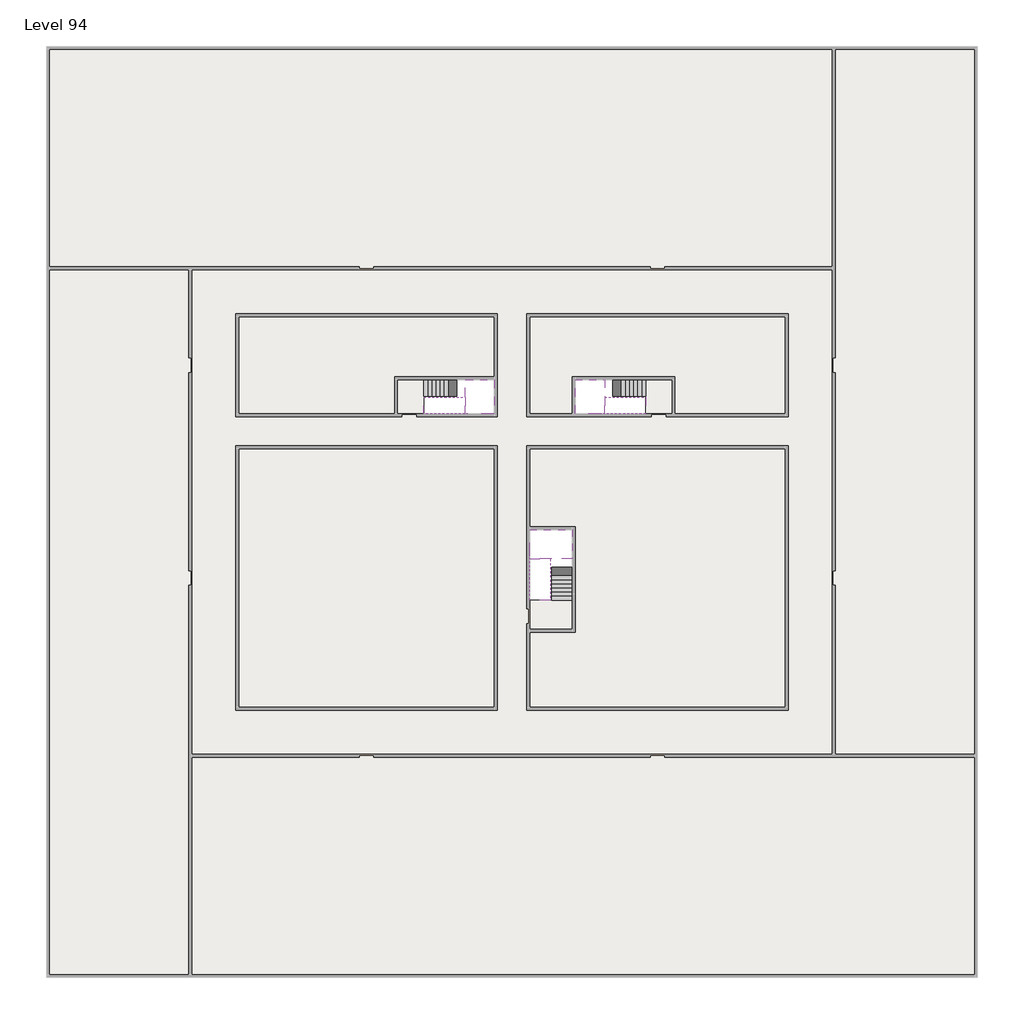
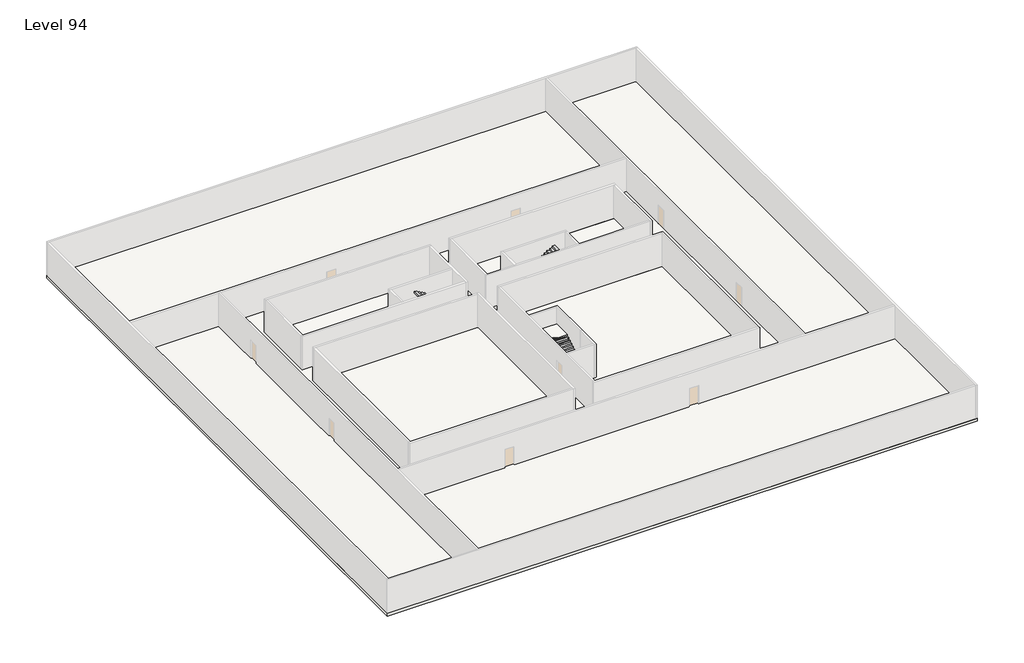
# One storey, part 2 of 2: 6 slabs, 6 stair flights.
"""IFC4 building model written with IfcOpenShell, lengths in millimetres."""

import ifcopenshell
import ifcopenshell.guid

model = None  # the IFC model being written
_history = None  # IfcOwnerHistory: only IFC2X3 demands one
_inside = {}  # id of a spatial element -> (the spatial element, [elements in it])
_under = {}  # id of a project, library or spatial element -> (it, [spatial elements below it])
_declared = {}  # id of a project -> (the project, [libraries it declares])
_typed = {}  # id of a type object -> (the type object, [elements of that type])
_made_of = {}  # id of a material, layer set ... -> (it, [elements and type objects made of it])


def new_model(schema):
    """Start an empty IFC model of exactly this schema.

    Asked for "IFC4X3", IfcOpenShell would pick the latest addendum, in which some entities
    have other attributes; the version numbers below select the first issue.
    IFC2X3 requires an IfcOwnerHistory on every rooted entity: one is made here for all.
    """
    global model, _history
    if schema == "IFC4X3":
        model = ifcopenshell.file(schema_version=(4, 3, 0, 0))
    else:
        model = ifcopenshell.file(schema=schema)
    _inside.clear()
    _under.clear()
    _declared.clear()
    _typed.clear()
    _made_of.clear()
    _history = None
    if model.schema == "IFC2X3":
        org = make("IfcOrganization", Name="unknown")
        user = make(
            "IfcPersonAndOrganization",
            ThePerson=make("IfcPerson", FamilyName="unknown"),
            TheOrganization=org,
        )
        app = make(
            "IfcApplication",
            ApplicationDeveloper=org,
            Version="unknown",
            ApplicationFullName="unknown",
            ApplicationIdentifier="unknown",
        )
        _history = make(
            "IfcOwnerHistory",
            OwningUser=user,
            OwningApplication=app,
            ChangeAction="ADDED",
            CreationDate=0,
        )
    return model


def make(cls, **values):
    """One entity of the class cls with the attributes given. An attribute that is None is left unset."""
    return model.create_entity(
        cls, **{name: value for name, value in values.items() if value is not None}
    )


def rooted(cls, **values):
    """An entity with a GlobalId (a new one), such as an element, a storey or a relation."""
    return make(cls, GlobalId=ifcopenshell.guid.new(), OwnerHistory=_history, **values)


def si_unit(unit_type, name, prefix=None):
    """IfcSIUnit, for example si_unit("LENGTHUNIT", "METRE", prefix="MILLI")."""
    return make("IfcSIUnit", UnitType=unit_type, Prefix=prefix, Name=name)


def assignment(units):
    """IfcUnitAssignment: the units of a project."""
    return None if units is None else make("IfcUnitAssignment", Units=units)


def point(xyz):
    """IfcCartesianPoint."""
    return None if xyz is None else make("IfcCartesianPoint", Coordinates=xyz)


def direction(xyz):
    """IfcDirection."""
    return None if xyz is None else make("IfcDirection", DirectionRatios=xyz)


def frame(location, z_axis=None, x_axis=None):
    """IfcAxis2Placement3D, a coordinate frame: its origin and axes. An axis left out is left unset."""
    return make(
        "IfcAxis2Placement3D",
        Location=point(location),
        Axis=direction(z_axis),
        RefDirection=direction(x_axis),
    )


def origin():
    """The frame at (0, 0, 0) with its axes left unset."""
    return frame((0.0, 0.0, 0.0))


def place(relative_to, where):
    """IfcLocalPlacement: puts the frame where relative to a parent placement (None: the world)."""
    return make(
        "IfcLocalPlacement", PlacementRelTo=relative_to, RelativePlacement=where
    )


def context(
    kind, dimensions, precision=None, world=None, true_north=None, identifier=None
):
    """IfcGeometricRepresentationContext, for example the 3D "Model" context."""
    return make(
        "IfcGeometricRepresentationContext",
        ContextIdentifier=identifier,
        ContextType=kind,
        CoordinateSpaceDimension=dimensions,
        Precision=precision,
        WorldCoordinateSystem=world,
        TrueNorth=true_north,
    )


def project(units=None, contexts=None):
    """IfcProject with its units and contexts."""
    return rooted(
        "IfcProject",
        Name="project",
        RepresentationContexts=contexts,
        UnitsInContext=assignment(units),
    )


def spatial(cls, under=None, at=None, **own):
    """A site, building, storey or space (cls), placed at a placement, below another one or the project."""
    s = rooted(cls, ObjectPlacement=at, **own)
    if under is not None:
        _under.setdefault(under.id(), (under, []))[1].append(s)
    return s


def polyline(points):
    """IfcPolyline through the points."""
    return make("IfcPolyline", Points=[point(p) for p in points])


def outline(outer, holes=None, kind="AREA"):
    """IfcArbitraryClosedProfileDef: a profile drawn as a closed curve; with holes, ...WithVoids."""
    if holes is None:
        return make("IfcArbitraryClosedProfileDef", ProfileType=kind, OuterCurve=outer)
    return make(
        "IfcArbitraryProfileDefWithVoids",
        ProfileType=kind,
        OuterCurve=outer,
        InnerCurves=holes,
    )


def extrude(swept, where, along, depth):
    """IfcExtrudedAreaSolid: the profile swept, set in the frame where, extruded along a direction by depth."""
    return make(
        "IfcExtrudedAreaSolid",
        SweptArea=swept,
        Position=where,
        ExtrudedDirection=direction(along),
        Depth=depth,
    )


def faces_of(points, faces, orient=None, outer=None):
    """IfcFace entities. A face is a list of loops; a loop is a list of indices into points, from 0.

    orient and outer hold one flag for each loop. By default every Orientation is true, the
    first loop of a face is its IfcFaceOuterBound and the others are IfcFaceBound.
    """
    made = []
    for i, loops in enumerate(faces):
        bounds = []
        for j, loop in enumerate(loops):
            is_outer = j == 0 if outer is None else outer[i][j]
            bounds.append(
                make(
                    "IfcFaceOuterBound" if is_outer else "IfcFaceBound",
                    Bound=make("IfcPolyLoop", Polygon=[points[k] for k in loop]),
                    Orientation=True if orient is None else orient[i][j],
                )
            )
        made.append(make("IfcFace", Bounds=bounds))
    return made


def faceted_brep(points, faces, orient=None, outer=None, voids=None):
    """IfcFacetedBrep: a solid bounded by flat faces; with voids (closed shells), ...WithVoids."""
    shared = [point(p) for p in points]
    hull = make("IfcClosedShell", CfsFaces=faces_of(shared, faces, orient, outer))
    if voids is None:
        return make("IfcFacetedBrep", Outer=hull)
    return make(
        "IfcFacetedBrepWithVoids",
        Outer=hull,
        Voids=[
            make(cls, CfsFaces=faces_of(shared, fs, o, b)) for cls, fs, o, b in voids
        ],
    )


def shape(context_of_items, identifier, shape_type, items):
    """IfcShapeRepresentation: the items that make up one representation, for example the "Body"."""
    return make(
        "IfcShapeRepresentation",
        ContextOfItems=context_of_items,
        RepresentationIdentifier=identifier,
        RepresentationType=shape_type,
        Items=items,
    )


def made_of(thing, what):
    """Note that an element or type object is made of a material, layer set ...; save() writes the relation."""
    if what is not None:
        _made_of.setdefault(what.id(), (what, []))[1].append(thing)
    return thing


def element(
    cls,
    number,
    at=None,
    inside=None,
    cuts=None,
    type_object=None,
    material=None,
    context=None,
    identifier="Body",
    shape_type=None,
    held_by="IfcProductDefinitionShape",
    body=None,
    shapes=None,
    **own,
):
    """One element of the class cls, such as IfcWall. Its Tag is "e" and its number.

    at: its placement. inside: the storey or other place that contains it. cuts: it is an
    opening in that element (IfcRelVoidsElement). A single representation is given by context,
    identifier, shape_type and body (its items); several are given by shapes. held_by: the class
    of the entity that holds the representations. save() writes the other relations.
    """
    e = rooted(cls, Tag="e%d" % number, ObjectPlacement=at, **own)
    if body is not None:
        shapes = [shape(context, identifier, shape_type, body)]
    if shapes is not None:
        e.Representation = make(held_by, Representations=shapes)
    if inside is not None:
        _inside.setdefault(inside.id(), (inside, []))[1].append(e)
    if cuts is not None:
        rooted(
            "IfcRelVoidsElement", RelatingBuildingElement=cuts, RelatedOpeningElement=e
        )
    if type_object is not None:
        _typed.setdefault(type_object.id(), (type_object, []))[1].append(e)
    return made_of(e, material)


def aggregate(whole, parts):
    """IfcRelAggregates: a whole, such as a stair, and the parts it consists of."""
    return rooted("IfcRelAggregates", RelatingObject=whole, RelatedObjects=parts)


def save(model, path):
    """Write the relations noted so far, then the file.

    IfcRelAggregates (storeys below a building ...), IfcRelContainedInSpatialStructure (elements
    in a storey), IfcRelDefinesByType, IfcRelAssociatesMaterial and IfcRelDeclares: one each for
    every whole, place, type object, material and project.
    """
    for whole, parts in _under.values():
        aggregate(whole, parts)
    for where, things in _inside.values():
        rooted(
            "IfcRelContainedInSpatialStructure",
            RelatedElements=things,
            RelatingStructure=where,
        )
    for kind, things in _typed.values():
        rooted("IfcRelDefinesByType", RelatedObjects=things, RelatingType=kind)
    for what, things in _made_of.values():
        rooted("IfcRelAssociatesMaterial", RelatedObjects=things, RelatingMaterial=what)
    for by, libraries in _declared.values():
        rooted("IfcRelDeclares", RelatingContext=by, RelatedDefinitions=libraries)
    model.write(path)


model = new_model("IFC4")

# Units and contexts
model_context = context("Model", 3, world=origin())
ifc_project = project(units=[si_unit("LENGTHUNIT", "METRE", prefix="MILLI")], contexts=[model_context])

# Site, building, storey
site = spatial("IfcSite", under=ifc_project)
building = spatial("IfcBuilding", under=site)
storey = spatial("IfcBuildingStorey", under=building, Name="Level 94", Elevation=353400.0)

# Slabs
placement = place(None, origin())
element("IfcSlab", 1, at=placement, inside=storey, context=model_context, shape_type="SweptSolid", body=[
    extrude(outline(polyline([(55890.1058784, -5518.09644), (55890.1058784, -68918.09644), (-7509.8941216, -68918.09644), (-7509.8941216, -5518.09644), (55890.1058784, -5518.09644)]), holes=[polyline([(22990.1058784, -23918.09644), (5590.1058784, -23918.09644), (5590.1058784, -30518.09644), (22990.1058784, -30518.09644), (22990.1058784, -23918.09644)]), polyline([(42990.1058784, -23918.09644), (25390.1058784, -23918.09644), (25390.1058784, -30518.09644), (42990.1058784, -30518.09644), (42990.1058784, -23918.09644)]), polyline([(25390.1058784, -50518.09644), (42790.1058784, -50518.09644), (42790.1058784, -32918.09644), (25390.1058784, -32918.09644), (25390.1058784, -50518.09644)]), polyline([(22990.1058784, -32918.09644), (5590.1058784, -32918.09644), (5590.1058784, -50518.09644), (22990.1058784, -50518.09644), (22990.1058784, -32918.09644)])]), frame((0.0, 0.0, 353100.0), z_axis=(0.0, 0.0, 1.0), x_axis=(1.0, 0.0, 0.0)), (0.0, 0.0, 1.0), 300.0),
])
element("IfcSlab", 2, at=placement, inside=storey, context=model_context, shape_type="SweptSolid", body=[
    extrude(outline(polyline([(22990.1058784, -23918.09644), (22990.1058784, -28018.09644), (16190.1058784, -28018.09644), (16190.1058784, -30518.09644), (5590.1058784, -30518.09644), (5590.1058784, -23918.09644), (22990.1058784, -23918.09644)])), frame((0.0, 0.0, 353100.0), z_axis=(0.0, 0.0, 1.0), x_axis=(1.0, 0.0, 0.0)), (0.0, 0.0, 1.0), 300.0),
    extrude(outline(polyline([(42790.1058784, -23918.09644), (42790.1058784, -30518.09644), (35290.1058784, -30518.09644), (35290.1058784, -28018.09644), (28490.1058784, -28018.09644), (28490.1058784, -30518.09644), (25390.1058784, -30518.09644), (25390.1058784, -23918.09644), (42790.1058784, -23918.09644)])), frame((0.0, 0.0, 353100.0), z_axis=(0.0, 0.0, 1.0), x_axis=(1.0, 0.0, 0.0)), (0.0, 0.0, 1.0), 300.0),
    extrude(outline(polyline([(22990.1058784, -32918.09644), (22990.1058784, -50518.09644), (5590.1058784, -50518.09644), (5590.1058784, -32918.09644), (22990.1058784, -32918.09644)])), frame((0.0, 0.0, 353100.0), z_axis=(0.0, 0.0, 1.0), x_axis=(1.0, 0.0, 0.0)), (0.0, 0.0, 1.0), 300.0),
    extrude(outline(polyline([(25390.1058784, -38218.09644), (25390.1058784, -32918.09644), (42790.1058784, -32918.09644), (42790.1058784, -50518.09644), (25390.1058784, -50518.09644), (25390.1058784, -45418.09644), (28490.1058784, -45418.09644), (28490.1058784, -38218.09644), (25390.1058784, -38218.09644)])), frame((0.0, 0.0, 353100.0), z_axis=(0.0, 0.0, 1.0), x_axis=(1.0, 0.0, 0.0)), (0.0, 0.0, 1.0), 300.0),
])
element("IfcSlab", 3, at=placement, inside=storey, context=model_context, shape_type="Brep", body=[
    faceted_brep([(26890.1058784, -40418.09644, 355300.0), (28290.1058784, -40418.09644, 355300.0), (28290.1058784, -40338.7100038, 355300.0), (28290.1058784, -38418.09644, 355300.0), (25390.1058784, -38418.09644, 355300.0), (25390.1058784, -40217.4828763, 355300.0), (25390.1058784, -40418.09644, 355300.0), (26790.1058784, -40418.09644, 355300.0), (26890.1058784, -40418.09644, 355000.0), (26890.1058784, -40418.09644, 354951.0278478), (28290.1058784, -40418.09644, 354951.0278478), (28290.1058784, -40418.09644, 355127.2727273), (28290.1058784, -40338.7100038, 355000.0), (28290.1058784, -38418.09644, 355000.0), (25390.1058784, -38418.09644, 355000.0), (25390.1058784, -40217.4828763, 355000.0), (25390.1058784, -40418.09644, 355123.7551205), (26790.1058784, -40418.09644, 355123.7551205), (26790.1058784, -40418.09644, 355000.0), (26790.1058784, -40217.4828763, 355000.0), (26890.1058784, -40338.7100038, 355000.0)], [[[0, 1, 2, 3, 4, 5, 6, 7]], [[1, 0, 8, 9, 10, 11]], [[1, 11, 10, 12, 13, 3, 2]], [[4, 3, 13, 14]], [[4, 14, 15, 16, 6, 5]], [[7, 6, 16, 17]], [[0, 7, 17, 18, 8]], [[18, 19, 15, 14, 13, 12, 20, 8]], [[19, 18, 17]], [[20, 12, 10, 9]], [[8, 20, 9]], [[15, 19, 17, 16]]]),
])
element("IfcSlab", 4, at=placement, inside=storey, context=model_context, shape_type="Brep", body=[
    faceted_brep([(20990.1058784, -28218.09644, 355300.0), (20990.1058784, -29318.09644, 355300.0), (20990.1058784, -29418.09644, 355300.0), (20990.1058784, -30518.09644, 355300.0), (21190.7194421, -30518.09644, 355300.0), (22990.1058784, -30518.09644, 355300.0), (22990.1058784, -28218.09644, 355300.0), (21069.4923146, -28218.09644, 355300.0), (20990.1058784, -28218.09644, 355127.2727273), (20990.1058784, -28218.09644, 354951.0278478), (20990.1058784, -29318.09644, 354951.0278478), (20990.1058784, -29318.09644, 355000.0), (20990.1058784, -29418.09644, 355000.0), (20990.1058784, -29418.09644, 355123.7551205), (20990.1058784, -30518.09644, 355123.7551205), (21190.7194421, -30518.09644, 355000.0), (22990.1058784, -30518.09644, 355000.0), (22990.1058784, -28218.09644, 355000.0), (21069.4923146, -28218.09644, 355000.0), (21190.7194421, -29418.09644, 355000.0), (21069.4923146, -29318.09644, 355000.0)], [[[0, 1, 2, 3, 4, 5, 6, 7]], [[1, 0, 8, 9, 10, 11]], [[2, 1, 11, 12, 13]], [[3, 2, 13, 14]], [[3, 14, 15, 16, 5, 4]], [[6, 5, 16, 17]], [[9, 8, 0, 7, 6, 17, 18]], [[19, 12, 11, 20, 18, 17, 16, 15]], [[12, 19, 13]], [[18, 20, 10, 9]], [[20, 11, 10]], [[19, 15, 14, 13]]]),
])
element("IfcSlab", 5, at=placement, inside=storey, context=model_context, shape_type="Brep", body=[
    faceted_brep([(30490.1058784, -29318.09644, 355300.0), (30490.1058784, -28218.09644, 355300.0), (30410.7194421, -28218.09644, 355300.0), (28490.1058784, -28218.09644, 355300.0), (28490.1058784, -30518.09644, 355300.0), (30289.4923146, -30518.09644, 355300.0), (30490.1058784, -30518.09644, 355300.0), (30490.1058784, -29418.09644, 355300.0), (30490.1058784, -29318.09644, 355000.0), (30490.1058784, -29318.09644, 354951.0278478), (30490.1058784, -28218.09644, 354951.0278478), (30490.1058784, -28218.09644, 355127.2727273), (30490.1058784, -29418.09644, 355123.7551205), (30490.1058784, -29418.09644, 355000.0), (30490.1058784, -30518.09644, 355123.7551205), (28490.1058784, -30518.09644, 355000.0), (30289.4923146, -30518.09644, 355000.0), (28490.1058784, -28218.09644, 355000.0), (30410.7194421, -28218.09644, 355000.0), (30289.4923146, -29418.09644, 355000.0), (30410.7194421, -29318.09644, 355000.0)], [[[0, 1, 2, 3, 4, 5, 6, 7]], [[1, 0, 8, 9, 10, 11]], [[0, 7, 12, 13, 8]], [[7, 6, 14, 12]], [[4, 15, 16, 14, 6, 5]], [[4, 3, 17, 15]], [[1, 11, 10, 18, 17, 3, 2]], [[13, 19, 16, 15, 17, 18, 20, 8]], [[20, 18, 10, 9]], [[8, 20, 9]], [[16, 19, 12, 14]], [[19, 13, 12]]]),
])
element("IfcSlab", 6, at=placement, inside=storey, context=model_context, shape_type="SweptSolid", body=[
    extrude(outline(polyline([(35090.1058784, -28218.09644), (35090.1058784, -30518.09644), (33290.1058784, -30518.09644), (33290.1058784, -28218.09644), (35090.1058784, -28218.09644)])), frame((0.0, 0.0, 353100.0), z_axis=(0.0, 0.0, 1.0), x_axis=(1.0, 0.0, 0.0)), (0.0, 0.0, 1.0), 300.0),
    extrude(outline(polyline([(18190.1058784, -28218.09644), (18190.1058784, -30518.09644), (16390.1058784, -30518.09644), (16390.1058784, -28218.09644), (18190.1058784, -28218.09644)])), frame((0.0, 0.0, 353100.0), z_axis=(0.0, 0.0, 1.0), x_axis=(1.0, 0.0, 0.0)), (0.0, 0.0, 1.0), 300.0),
    extrude(outline(polyline([(28290.1058784, -43218.09644), (28290.1058784, -45218.09644), (25390.1058784, -45218.09644), (25390.1058784, -43218.09644), (28290.1058784, -43218.09644)])), frame((0.0, 0.0, 353100.0), z_axis=(0.0, 0.0, 1.0), x_axis=(1.0, 0.0, 0.0)), (0.0, 0.0, 1.0), 300.0),
])

# Stair flights
element("IfcStairFlight", 7, at=placement, inside=storey, context=model_context, shape_type="Brep", body=[
    faceted_brep([(26890.1058784, -42938.09644, 353572.7272727), (26890.1058784, -43218.09644, 353572.7272727), (28290.1058784, -43218.09644, 353572.7272727), (28290.1058784, -42938.09644, 353572.7272727), (26890.1058784, -42938.09644, 353400.0), (26890.1058784, -43218.09644, 353400.0), (28290.1058784, -43218.09644, 353400.0), (28290.1058784, -42938.09644, 353400.0), (26890.1058784, -42658.09644, 353745.4545455), (26890.1058784, -42938.09644, 353745.4545455), (28290.1058784, -42938.09644, 353745.4545455), (28290.1058784, -42658.09644, 353745.4545455), (26890.1058784, -42658.09644, 353569.209666), (26890.1058784, -42932.3942143, 353400.0), (28290.1058784, -42932.3942143, 353400.0), (28290.1058784, -42658.09644, 353569.209666), (26890.1058784, -42378.09644, 353918.1818182), (26890.1058784, -42658.09644, 353918.1818182), (28290.1058784, -42658.09644, 353918.1818182), (28290.1058784, -42378.09644, 353918.1818182), (26890.1058784, -42378.09644, 353741.9369387), (28290.1058784, -42378.09644, 353741.9369387), (26890.1058784, -42098.09644, 354090.9090909), (26890.1058784, -42378.09644, 354090.9090909), (28290.1058784, -42378.09644, 354090.9090909), (28290.1058784, -42098.09644, 354090.9090909), (26890.1058784, -42098.09644, 353914.6642114), (28290.1058784, -42098.09644, 353914.6642114), (26890.1058784, -41818.09644, 354263.6363636), (26890.1058784, -42098.09644, 354263.6363636), (28290.1058784, -42098.09644, 354263.6363636), (28290.1058784, -41818.09644, 354263.6363636), (26890.1058784, -41818.09644, 354087.3914841), (28290.1058784, -41818.09644, 354087.3914841), (26890.1058784, -41538.09644, 354436.3636364), (26890.1058784, -41818.09644, 354436.3636364), (28290.1058784, -41818.09644, 354436.3636364), (28290.1058784, -41538.09644, 354436.3636364), (26890.1058784, -41538.09644, 354260.1187569), (28290.1058784, -41538.09644, 354260.1187569), (26890.1058784, -41258.09644, 354609.0909091), (26890.1058784, -41538.09644, 354609.0909091), (28290.1058784, -41538.09644, 354609.0909091), (28290.1058784, -41258.09644, 354609.0909091), (26890.1058784, -41258.09644, 354432.8460296), (28290.1058784, -41258.09644, 354432.8460296), (26890.1058784, -40978.09644, 354781.8181818), (26890.1058784, -41258.09644, 354781.8181818), (28290.1058784, -41258.09644, 354781.8181818), (28290.1058784, -40978.09644, 354781.8181818), (26890.1058784, -40978.09644, 354605.5733023), (28290.1058784, -40978.09644, 354605.5733023), (26890.1058784, -40698.09644, 354954.5454545), (26890.1058784, -40978.09644, 354954.5454545), (28290.1058784, -40978.09644, 354954.5454545), (28290.1058784, -40698.09644, 354954.5454545), (26890.1058784, -40698.09644, 354778.3005751), (28290.1058784, -40698.09644, 354778.3005751), (26890.1058784, -40418.09644, 355127.2727273), (26890.1058784, -40698.09644, 355127.2727273), (28290.1058784, -40698.09644, 355127.2727273), (28290.1058784, -40418.09644, 355127.2727273), (26890.1058784, -40418.09644, 355000.0), (26890.1058784, -40418.09644, 354951.0278478), (28290.1058784, -40418.09644, 354951.0278478)], [[[0, 1, 2, 3]], [[1, 0, 4, 5]], [[2, 1, 5, 6]], [[3, 2, 6, 7]], [[8, 9, 10, 11]], [[4, 0, 9, 8, 12, 13]], [[0, 3, 10, 9]], [[3, 7, 14, 15, 11, 10]], [[16, 17, 18, 19]], [[17, 16, 20, 12, 8]], [[8, 11, 18, 17]], [[19, 18, 11, 15, 21]], [[22, 23, 24, 25]], [[23, 22, 26, 20, 16]], [[16, 19, 24, 23]], [[25, 24, 19, 21, 27]], [[28, 29, 30, 31]], [[29, 28, 32, 26, 22]], [[22, 25, 30, 29]], [[31, 30, 25, 27, 33]], [[34, 35, 36, 37]], [[35, 34, 38, 32, 28]], [[28, 31, 36, 35]], [[37, 36, 31, 33, 39]], [[40, 41, 42, 43]], [[41, 40, 44, 38, 34]], [[34, 37, 42, 41]], [[43, 42, 37, 39, 45]], [[46, 47, 48, 49]], [[47, 46, 50, 44, 40]], [[40, 43, 48, 47]], [[49, 48, 43, 45, 51]], [[52, 53, 54, 55]], [[53, 52, 56, 50, 46]], [[46, 49, 54, 53]], [[55, 54, 49, 51, 57]], [[58, 59, 60, 61]], [[59, 58, 62, 63, 56, 52]], [[52, 55, 60, 59]], [[61, 60, 55, 57, 64]], [[58, 61, 64, 63, 62]], [[5, 4, 13, 14, 7, 6]], [[14, 13, 12, 20, 26, 32, 38, 44, 50, 56, 63, 64, 57, 51, 45, 39, 33, 27, 21, 15]]]),
])
element("IfcStairFlight", 8, at=placement, inside=storey, context=model_context, shape_type="Brep", body=[
    faceted_brep([(26790.1058784, -40698.09644, 355472.7272727), (26790.1058784, -40418.09644, 355472.7272727), (25390.1058784, -40418.09644, 355472.7272727), (25390.1058784, -40698.09644, 355472.7272727), (26790.1058784, -40698.09644, 355296.4823932), (26790.1058784, -40418.09644, 355123.7551205), (25390.1058784, -40418.09644, 355123.7551205), (25390.1058784, -40418.09644, 355300.0), (25390.1058784, -40698.09644, 355296.4823932), (26790.1058784, -40978.09644, 355645.4545455), (26790.1058784, -40698.09644, 355645.4545455), (25390.1058784, -40698.09644, 355645.4545455), (25390.1058784, -40978.09644, 355645.4545455), (26790.1058784, -40978.09644, 355469.209666), (25390.1058784, -40978.09644, 355469.209666), (26790.1058784, -41258.09644, 355818.1818182), (26790.1058784, -40978.09644, 355818.1818182), (25390.1058784, -40978.09644, 355818.1818182), (25390.1058784, -41258.09644, 355818.1818182), (26790.1058784, -41258.09644, 355641.9369387), (25390.1058784, -41258.09644, 355641.9369387), (26790.1058784, -41538.09644, 355990.9090909), (26790.1058784, -41258.09644, 355990.9090909), (25390.1058784, -41258.09644, 355990.9090909), (25390.1058784, -41538.09644, 355990.9090909), (26790.1058784, -41538.09644, 355814.6642114), (25390.1058784, -41538.09644, 355814.6642114), (26790.1058784, -41818.09644, 356163.6363636), (26790.1058784, -41538.09644, 356163.6363636), (25390.1058784, -41538.09644, 356163.6363636), (25390.1058784, -41818.09644, 356163.6363636), (26790.1058784, -41818.09644, 355987.3914841), (25390.1058784, -41818.09644, 355987.3914841), (26790.1058784, -42098.09644, 356336.3636364), (26790.1058784, -41818.09644, 356336.3636364), (25390.1058784, -41818.09644, 356336.3636364), (25390.1058784, -42098.09644, 356336.3636364), (26790.1058784, -42098.09644, 356160.1187569), (25390.1058784, -42098.09644, 356160.1187569), (26790.1058784, -42378.09644, 356509.0909091), (26790.1058784, -42098.09644, 356509.0909091), (25390.1058784, -42098.09644, 356509.0909091), (25390.1058784, -42378.09644, 356509.0909091), (26790.1058784, -42378.09644, 356332.8460296), (25390.1058784, -42378.09644, 356332.8460296), (26790.1058784, -42658.09644, 356681.8181818), (26790.1058784, -42378.09644, 356681.8181818), (25390.1058784, -42378.09644, 356681.8181818), (25390.1058784, -42658.09644, 356681.8181818), (26790.1058784, -42658.09644, 356505.5733023), (25390.1058784, -42658.09644, 356505.5733023), (26790.1058784, -42938.09644, 356854.5454545), (26790.1058784, -42658.09644, 356854.5454545), (25390.1058784, -42658.09644, 356854.5454545), (25390.1058784, -42938.09644, 356854.5454545), (26790.1058784, -42938.09644, 356678.3005751), (25390.1058784, -42938.09644, 356678.3005751), (26790.1058784, -43218.09644, 357027.2727273), (26790.1058784, -42938.09644, 357027.2727273), (25390.1058784, -42938.09644, 357027.2727273), (25390.1058784, -43218.09644, 357027.2727273), (26790.1058784, -43218.09644, 356851.0278478), (25390.1058784, -43218.09644, 356851.0278478)], [[[0, 1, 2, 3]], [[1, 0, 4, 5]], [[2, 1, 5, 6, 7]], [[3, 2, 7, 6, 8]], [[9, 10, 11, 12]], [[10, 9, 13, 4, 0]], [[11, 10, 0, 3]], [[12, 11, 3, 8, 14]], [[15, 16, 17, 18]], [[16, 15, 19, 13, 9]], [[17, 16, 9, 12]], [[18, 17, 12, 14, 20]], [[21, 22, 23, 24]], [[22, 21, 25, 19, 15]], [[23, 22, 15, 18]], [[24, 23, 18, 20, 26]], [[27, 28, 29, 30]], [[28, 27, 31, 25, 21]], [[29, 28, 21, 24]], [[30, 29, 24, 26, 32]], [[33, 34, 35, 36]], [[34, 33, 37, 31, 27]], [[35, 34, 27, 30]], [[36, 35, 30, 32, 38]], [[39, 40, 41, 42]], [[40, 39, 43, 37, 33]], [[41, 40, 33, 36]], [[42, 41, 36, 38, 44]], [[45, 46, 47, 48]], [[46, 45, 49, 43, 39]], [[47, 46, 39, 42]], [[48, 47, 42, 44, 50]], [[51, 52, 53, 54]], [[52, 51, 55, 49, 45]], [[53, 52, 45, 48]], [[54, 53, 48, 50, 56]], [[57, 58, 59, 60]], [[58, 57, 61, 55, 51]], [[59, 58, 51, 54]], [[60, 59, 54, 56, 62]], [[57, 60, 62, 61]], [[5, 4, 13, 19, 25, 31, 37, 43, 49, 55, 61, 62, 56, 50, 44, 38, 32, 26, 20, 14, 8, 6]]]),
])
element("IfcStairFlight", 9, at=placement, inside=storey, context=model_context, shape_type="Brep", body=[
    faceted_brep([(18470.1058784, -28218.09644, 353572.7272727), (18190.1058784, -28218.09644, 353572.7272727), (18190.1058784, -29318.09644, 353572.7272727), (18470.1058784, -29318.09644, 353572.7272727), (18470.1058784, -28218.09644, 353400.0), (18190.1058784, -28218.09644, 353400.0), (18190.1058784, -29318.09644, 353400.0), (18470.1058784, -29318.09644, 353400.0), (18750.1058784, -28218.09644, 353745.4545455), (18470.1058784, -28218.09644, 353745.4545455), (18470.1058784, -29318.09644, 353745.4545455), (18750.1058784, -29318.09644, 353745.4545455), (18750.1058784, -28218.09644, 353569.209666), (18475.8081041, -28218.09644, 353400.0), (18475.8081041, -29318.09644, 353400.0), (18750.1058784, -29318.09644, 353569.209666), (19030.1058784, -28218.09644, 353918.1818182), (18750.1058784, -28218.09644, 353918.1818182), (18750.1058784, -29318.09644, 353918.1818182), (19030.1058784, -29318.09644, 353918.1818182), (19030.1058784, -28218.09644, 353741.9369387), (19030.1058784, -29318.09644, 353741.9369387), (19310.1058784, -28218.09644, 354090.9090909), (19030.1058784, -28218.09644, 354090.9090909), (19030.1058784, -29318.09644, 354090.9090909), (19310.1058784, -29318.09644, 354090.9090909), (19310.1058784, -28218.09644, 353914.6642114), (19310.1058784, -29318.09644, 353914.6642114), (19590.1058784, -28218.09644, 354263.6363636), (19310.1058784, -28218.09644, 354263.6363636), (19310.1058784, -29318.09644, 354263.6363636), (19590.1058784, -29318.09644, 354263.6363636), (19590.1058784, -28218.09644, 354087.3914841), (19590.1058784, -29318.09644, 354087.3914841), (19870.1058784, -28218.09644, 354436.3636364), (19590.1058784, -28218.09644, 354436.3636364), (19590.1058784, -29318.09644, 354436.3636364), (19870.1058784, -29318.09644, 354436.3636364), (19870.1058784, -28218.09644, 354260.1187569), (19870.1058784, -29318.09644, 354260.1187569), (20150.1058784, -28218.09644, 354609.0909091), (19870.1058784, -28218.09644, 354609.0909091), (19870.1058784, -29318.09644, 354609.0909091), (20150.1058784, -29318.09644, 354609.0909091), (20150.1058784, -28218.09644, 354432.8460296), (20150.1058784, -29318.09644, 354432.8460296), (20430.1058784, -28218.09644, 354781.8181818), (20150.1058784, -28218.09644, 354781.8181818), (20150.1058784, -29318.09644, 354781.8181818), (20430.1058784, -29318.09644, 354781.8181818), (20430.1058784, -28218.09644, 354605.5733023), (20430.1058784, -29318.09644, 354605.5733023), (20710.1058784, -28218.09644, 354954.5454545), (20430.1058784, -28218.09644, 354954.5454545), (20430.1058784, -29318.09644, 354954.5454545), (20710.1058784, -29318.09644, 354954.5454545), (20710.1058784, -28218.09644, 354778.3005751), (20710.1058784, -29318.09644, 354778.3005751), (20990.1058784, -28218.09644, 355127.2727273), (20710.1058784, -28218.09644, 355127.2727273), (20710.1058784, -29318.09644, 355127.2727273), (20990.1058784, -29318.09644, 355127.2727273), (20990.1058784, -28218.09644, 354951.0278478), (20990.1058784, -29318.09644, 354951.0278478), (20990.1058784, -29318.09644, 355000.0)], [[[0, 1, 2, 3]], [[1, 0, 4, 5]], [[2, 1, 5, 6]], [[3, 2, 6, 7]], [[8, 9, 10, 11]], [[4, 0, 9, 8, 12, 13]], [[0, 3, 10, 9]], [[3, 7, 14, 15, 11, 10]], [[16, 17, 18, 19]], [[17, 16, 20, 12, 8]], [[8, 11, 18, 17]], [[19, 18, 11, 15, 21]], [[22, 23, 24, 25]], [[23, 22, 26, 20, 16]], [[16, 19, 24, 23]], [[25, 24, 19, 21, 27]], [[28, 29, 30, 31]], [[29, 28, 32, 26, 22]], [[22, 25, 30, 29]], [[31, 30, 25, 27, 33]], [[34, 35, 36, 37]], [[35, 34, 38, 32, 28]], [[28, 31, 36, 35]], [[37, 36, 31, 33, 39]], [[40, 41, 42, 43]], [[41, 40, 44, 38, 34]], [[34, 37, 42, 41]], [[43, 42, 37, 39, 45]], [[46, 47, 48, 49]], [[47, 46, 50, 44, 40]], [[40, 43, 48, 47]], [[49, 48, 43, 45, 51]], [[52, 53, 54, 55]], [[53, 52, 56, 50, 46]], [[46, 49, 54, 53]], [[55, 54, 49, 51, 57]], [[58, 59, 60, 61]], [[59, 58, 62, 56, 52]], [[52, 55, 60, 59]], [[61, 60, 55, 57, 63, 64]], [[58, 61, 64, 63, 62]], [[5, 4, 13, 14, 7, 6]], [[14, 13, 12, 20, 26, 32, 38, 44, 50, 56, 62, 63, 57, 51, 45, 39, 33, 27, 21, 15]]]),
])
element("IfcStairFlight", 10, at=placement, inside=storey, context=model_context, shape_type="Brep", body=[
    faceted_brep([(20710.1058784, -30518.09644, 355472.7272727), (20990.1058784, -30518.09644, 355472.7272727), (20990.1058784, -29418.09644, 355472.7272727), (20710.1058784, -29418.09644, 355472.7272727), (20710.1058784, -30518.09644, 355296.4823932), (20990.1058784, -30518.09644, 355123.7551205), (20990.1058784, -30518.09644, 355300.0), (20990.1058784, -29418.09644, 355123.7551205), (20710.1058784, -29418.09644, 355296.4823932), (20430.1058784, -30518.09644, 355645.4545455), (20710.1058784, -30518.09644, 355645.4545455), (20710.1058784, -29418.09644, 355645.4545455), (20430.1058784, -29418.09644, 355645.4545455), (20430.1058784, -30518.09644, 355469.209666), (20430.1058784, -29418.09644, 355469.209666), (20150.1058784, -30518.09644, 355818.1818182), (20430.1058784, -30518.09644, 355818.1818182), (20430.1058784, -29418.09644, 355818.1818182), (20150.1058784, -29418.09644, 355818.1818182), (20150.1058784, -30518.09644, 355641.9369387), (20150.1058784, -29418.09644, 355641.9369387), (19870.1058784, -30518.09644, 355990.9090909), (20150.1058784, -30518.09644, 355990.9090909), (20150.1058784, -29418.09644, 355990.9090909), (19870.1058784, -29418.09644, 355990.9090909), (19870.1058784, -30518.09644, 355814.6642114), (19870.1058784, -29418.09644, 355814.6642114), (19590.1058784, -30518.09644, 356163.6363636), (19870.1058784, -30518.09644, 356163.6363636), (19870.1058784, -29418.09644, 356163.6363636), (19590.1058784, -29418.09644, 356163.6363636), (19590.1058784, -30518.09644, 355987.3914841), (19590.1058784, -29418.09644, 355987.3914841), (19310.1058784, -30518.09644, 356336.3636364), (19590.1058784, -30518.09644, 356336.3636364), (19590.1058784, -29418.09644, 356336.3636364), (19310.1058784, -29418.09644, 356336.3636364), (19310.1058784, -30518.09644, 356160.1187569), (19310.1058784, -29418.09644, 356160.1187569), (19030.1058784, -30518.09644, 356509.0909091), (19310.1058784, -30518.09644, 356509.0909091), (19310.1058784, -29418.09644, 356509.0909091), (19030.1058784, -29418.09644, 356509.0909091), (19030.1058784, -30518.09644, 356332.8460296), (19030.1058784, -29418.09644, 356332.8460296), (18750.1058784, -30518.09644, 356681.8181818), (19030.1058784, -30518.09644, 356681.8181818), (19030.1058784, -29418.09644, 356681.8181818), (18750.1058784, -29418.09644, 356681.8181818), (18750.1058784, -30518.09644, 356505.5733023), (18750.1058784, -29418.09644, 356505.5733023), (18470.1058784, -30518.09644, 356854.5454545), (18750.1058784, -30518.09644, 356854.5454545), (18750.1058784, -29418.09644, 356854.5454545), (18470.1058784, -29418.09644, 356854.5454545), (18470.1058784, -30518.09644, 356678.3005751), (18470.1058784, -29418.09644, 356678.3005751), (18190.1058784, -30518.09644, 357027.2727273), (18470.1058784, -30518.09644, 357027.2727273), (18470.1058784, -29418.09644, 357027.2727273), (18190.1058784, -29418.09644, 357027.2727273), (18190.1058784, -30518.09644, 356851.0278478), (18190.1058784, -29418.09644, 356851.0278478)], [[[0, 1, 2, 3]], [[1, 0, 4, 5, 6]], [[2, 1, 6, 5, 7]], [[3, 2, 7, 8]], [[9, 10, 11, 12]], [[10, 9, 13, 4, 0]], [[11, 10, 0, 3]], [[12, 11, 3, 8, 14]], [[15, 16, 17, 18]], [[16, 15, 19, 13, 9]], [[17, 16, 9, 12]], [[18, 17, 12, 14, 20]], [[21, 22, 23, 24]], [[22, 21, 25, 19, 15]], [[23, 22, 15, 18]], [[24, 23, 18, 20, 26]], [[27, 28, 29, 30]], [[28, 27, 31, 25, 21]], [[29, 28, 21, 24]], [[30, 29, 24, 26, 32]], [[33, 34, 35, 36]], [[34, 33, 37, 31, 27]], [[35, 34, 27, 30]], [[36, 35, 30, 32, 38]], [[39, 40, 41, 42]], [[40, 39, 43, 37, 33]], [[41, 40, 33, 36]], [[42, 41, 36, 38, 44]], [[45, 46, 47, 48]], [[46, 45, 49, 43, 39]], [[47, 46, 39, 42]], [[48, 47, 42, 44, 50]], [[51, 52, 53, 54]], [[52, 51, 55, 49, 45]], [[53, 52, 45, 48]], [[54, 53, 48, 50, 56]], [[57, 58, 59, 60]], [[58, 57, 61, 55, 51]], [[59, 58, 51, 54]], [[60, 59, 54, 56, 62]], [[57, 60, 62, 61]], [[5, 4, 13, 19, 25, 31, 37, 43, 49, 55, 61, 62, 56, 50, 44, 38, 32, 26, 20, 14, 8, 7]]]),
])
element("IfcStairFlight", 11, at=placement, inside=storey, context=model_context, shape_type="Brep", body=[
    faceted_brep([(33010.1058784, -29318.09644, 353572.7272727), (33290.1058784, -29318.09644, 353572.7272727), (33290.1058784, -28218.09644, 353572.7272727), (33010.1058784, -28218.09644, 353572.7272727), (33290.1058784, -28218.09644, 353400.0), (33010.1058784, -28218.09644, 353400.0), (33290.1058784, -29318.09644, 353400.0), (33010.1058784, -29318.09644, 353400.0), (32730.1058784, -29318.09644, 353745.4545455), (33010.1058784, -29318.09644, 353745.4545455), (33010.1058784, -28218.09644, 353745.4545455), (32730.1058784, -28218.09644, 353745.4545455), (33004.4036527, -28218.09644, 353400.0), (32730.1058784, -28218.09644, 353569.209666), (32730.1058784, -29318.09644, 353569.209666), (33004.4036527, -29318.09644, 353400.0), (32450.1058784, -29318.09644, 353918.1818182), (32730.1058784, -29318.09644, 353918.1818182), (32730.1058784, -28218.09644, 353918.1818182), (32450.1058784, -28218.09644, 353918.1818182), (32450.1058784, -28218.09644, 353741.9369387), (32450.1058784, -29318.09644, 353741.9369387), (32170.1058784, -29318.09644, 354090.9090909), (32450.1058784, -29318.09644, 354090.9090909), (32450.1058784, -28218.09644, 354090.9090909), (32170.1058784, -28218.09644, 354090.9090909), (32170.1058784, -28218.09644, 353914.6642114), (32170.1058784, -29318.09644, 353914.6642114), (31890.1058784, -29318.09644, 354263.6363636), (32170.1058784, -29318.09644, 354263.6363636), (32170.1058784, -28218.09644, 354263.6363636), (31890.1058784, -28218.09644, 354263.6363636), (31890.1058784, -28218.09644, 354087.3914841), (31890.1058784, -29318.09644, 354087.3914841), (31610.1058784, -29318.09644, 354436.3636364), (31890.1058784, -29318.09644, 354436.3636364), (31890.1058784, -28218.09644, 354436.3636364), (31610.1058784, -28218.09644, 354436.3636364), (31610.1058784, -28218.09644, 354260.1187569), (31610.1058784, -29318.09644, 354260.1187569), (31330.1058784, -29318.09644, 354609.0909091), (31610.1058784, -29318.09644, 354609.0909091), (31610.1058784, -28218.09644, 354609.0909091), (31330.1058784, -28218.09644, 354609.0909091), (31330.1058784, -28218.09644, 354432.8460296), (31330.1058784, -29318.09644, 354432.8460296), (31050.1058784, -29318.09644, 354781.8181818), (31330.1058784, -29318.09644, 354781.8181818), (31330.1058784, -28218.09644, 354781.8181818), (31050.1058784, -28218.09644, 354781.8181818), (31050.1058784, -28218.09644, 354605.5733023), (31050.1058784, -29318.09644, 354605.5733023), (30770.1058784, -29318.09644, 354954.5454545), (31050.1058784, -29318.09644, 354954.5454545), (31050.1058784, -28218.09644, 354954.5454545), (30770.1058784, -28218.09644, 354954.5454545), (30770.1058784, -28218.09644, 354778.3005751), (30770.1058784, -29318.09644, 354778.3005751), (30490.1058784, -29318.09644, 355127.2727273), (30770.1058784, -29318.09644, 355127.2727273), (30770.1058784, -28218.09644, 355127.2727273), (30490.1058784, -28218.09644, 355127.2727273), (30490.1058784, -28218.09644, 354951.0278478), (30490.1058784, -29318.09644, 355000.0), (30490.1058784, -29318.09644, 354951.0278478)], [[[0, 1, 2, 3]], [[3, 2, 4, 5]], [[2, 1, 6, 4]], [[1, 0, 7, 6]], [[8, 9, 10, 11]], [[3, 5, 12, 13, 11, 10]], [[0, 3, 10, 9]], [[7, 0, 9, 8, 14, 15]], [[16, 17, 18, 19]], [[19, 18, 11, 13, 20]], [[8, 11, 18, 17]], [[17, 16, 21, 14, 8]], [[22, 23, 24, 25]], [[25, 24, 19, 20, 26]], [[16, 19, 24, 23]], [[23, 22, 27, 21, 16]], [[28, 29, 30, 31]], [[31, 30, 25, 26, 32]], [[22, 25, 30, 29]], [[29, 28, 33, 27, 22]], [[34, 35, 36, 37]], [[37, 36, 31, 32, 38]], [[28, 31, 36, 35]], [[35, 34, 39, 33, 28]], [[40, 41, 42, 43]], [[43, 42, 37, 38, 44]], [[34, 37, 42, 41]], [[41, 40, 45, 39, 34]], [[46, 47, 48, 49]], [[49, 48, 43, 44, 50]], [[40, 43, 48, 47]], [[47, 46, 51, 45, 40]], [[52, 53, 54, 55]], [[55, 54, 49, 50, 56]], [[46, 49, 54, 53]], [[53, 52, 57, 51, 46]], [[58, 59, 60, 61]], [[61, 60, 55, 56, 62]], [[52, 55, 60, 59]], [[59, 58, 63, 64, 57, 52]], [[58, 61, 62, 64, 63]], [[6, 7, 15, 12, 5, 4]], [[12, 15, 14, 21, 27, 33, 39, 45, 51, 57, 64, 62, 56, 50, 44, 38, 32, 26, 20, 13]]]),
])
element("IfcStairFlight", 12, at=placement, inside=storey, context=model_context, shape_type="Brep", body=[
    faceted_brep([(30770.1058784, -29418.09644, 355472.7272727), (30490.1058784, -29418.09644, 355472.7272727), (30490.1058784, -30518.09644, 355472.7272727), (30770.1058784, -30518.09644, 355472.7272727), (30490.1058784, -30518.09644, 355300.0), (30490.1058784, -30518.09644, 355123.7551205), (30770.1058784, -30518.09644, 355296.4823932), (30490.1058784, -29418.09644, 355123.7551205), (30770.1058784, -29418.09644, 355296.4823932), (31050.1058784, -29418.09644, 355645.4545455), (30770.1058784, -29418.09644, 355645.4545455), (30770.1058784, -30518.09644, 355645.4545455), (31050.1058784, -30518.09644, 355645.4545455), (31050.1058784, -30518.09644, 355469.209666), (31050.1058784, -29418.09644, 355469.209666), (31330.1058784, -29418.09644, 355818.1818182), (31050.1058784, -29418.09644, 355818.1818182), (31050.1058784, -30518.09644, 355818.1818182), (31330.1058784, -30518.09644, 355818.1818182), (31330.1058784, -30518.09644, 355641.9369387), (31330.1058784, -29418.09644, 355641.9369387), (31610.1058784, -29418.09644, 355990.9090909), (31330.1058784, -29418.09644, 355990.9090909), (31330.1058784, -30518.09644, 355990.9090909), (31610.1058784, -30518.09644, 355990.9090909), (31610.1058784, -30518.09644, 355814.6642114), (31610.1058784, -29418.09644, 355814.6642114), (31890.1058784, -29418.09644, 356163.6363636), (31610.1058784, -29418.09644, 356163.6363636), (31610.1058784, -30518.09644, 356163.6363636), (31890.1058784, -30518.09644, 356163.6363636), (31890.1058784, -30518.09644, 355987.3914841), (31890.1058784, -29418.09644, 355987.3914841), (32170.1058784, -29418.09644, 356336.3636364), (31890.1058784, -29418.09644, 356336.3636364), (31890.1058784, -30518.09644, 356336.3636364), (32170.1058784, -30518.09644, 356336.3636364), (32170.1058784, -30518.09644, 356160.1187569), (32170.1058784, -29418.09644, 356160.1187569), (32450.1058784, -29418.09644, 356509.0909091), (32170.1058784, -29418.09644, 356509.0909091), (32170.1058784, -30518.09644, 356509.0909091), (32450.1058784, -30518.09644, 356509.0909091), (32450.1058784, -30518.09644, 356332.8460296), (32450.1058784, -29418.09644, 356332.8460296), (32730.1058784, -29418.09644, 356681.8181818), (32450.1058784, -29418.09644, 356681.8181818), (32450.1058784, -30518.09644, 356681.8181818), (32730.1058784, -30518.09644, 356681.8181818), (32730.1058784, -30518.09644, 356505.5733023), (32730.1058784, -29418.09644, 356505.5733023), (33010.1058784, -29418.09644, 356854.5454545), (32730.1058784, -29418.09644, 356854.5454545), (32730.1058784, -30518.09644, 356854.5454545), (33010.1058784, -30518.09644, 356854.5454545), (33010.1058784, -30518.09644, 356678.3005751), (33010.1058784, -29418.09644, 356678.3005751), (33290.1058784, -29418.09644, 357027.2727273), (33010.1058784, -29418.09644, 357027.2727273), (33010.1058784, -30518.09644, 357027.2727273), (33290.1058784, -30518.09644, 357027.2727273), (33290.1058784, -30518.09644, 356851.0278478), (33290.1058784, -29418.09644, 356851.0278478)], [[[0, 1, 2, 3]], [[3, 2, 4, 5, 6]], [[2, 1, 7, 5, 4]], [[1, 0, 8, 7]], [[9, 10, 11, 12]], [[12, 11, 3, 6, 13]], [[11, 10, 0, 3]], [[10, 9, 14, 8, 0]], [[15, 16, 17, 18]], [[18, 17, 12, 13, 19]], [[17, 16, 9, 12]], [[16, 15, 20, 14, 9]], [[21, 22, 23, 24]], [[24, 23, 18, 19, 25]], [[23, 22, 15, 18]], [[22, 21, 26, 20, 15]], [[27, 28, 29, 30]], [[30, 29, 24, 25, 31]], [[29, 28, 21, 24]], [[28, 27, 32, 26, 21]], [[33, 34, 35, 36]], [[36, 35, 30, 31, 37]], [[35, 34, 27, 30]], [[34, 33, 38, 32, 27]], [[39, 40, 41, 42]], [[42, 41, 36, 37, 43]], [[41, 40, 33, 36]], [[40, 39, 44, 38, 33]], [[45, 46, 47, 48]], [[48, 47, 42, 43, 49]], [[47, 46, 39, 42]], [[46, 45, 50, 44, 39]], [[51, 52, 53, 54]], [[54, 53, 48, 49, 55]], [[53, 52, 45, 48]], [[52, 51, 56, 50, 45]], [[57, 58, 59, 60]], [[60, 59, 54, 55, 61]], [[59, 58, 51, 54]], [[58, 57, 62, 56, 51]], [[57, 60, 61, 62]], [[7, 8, 14, 20, 26, 32, 38, 44, 50, 56, 62, 61, 55, 49, 43, 37, 31, 25, 19, 13, 6, 5]]]),
])

save(model, "model.ifc")
